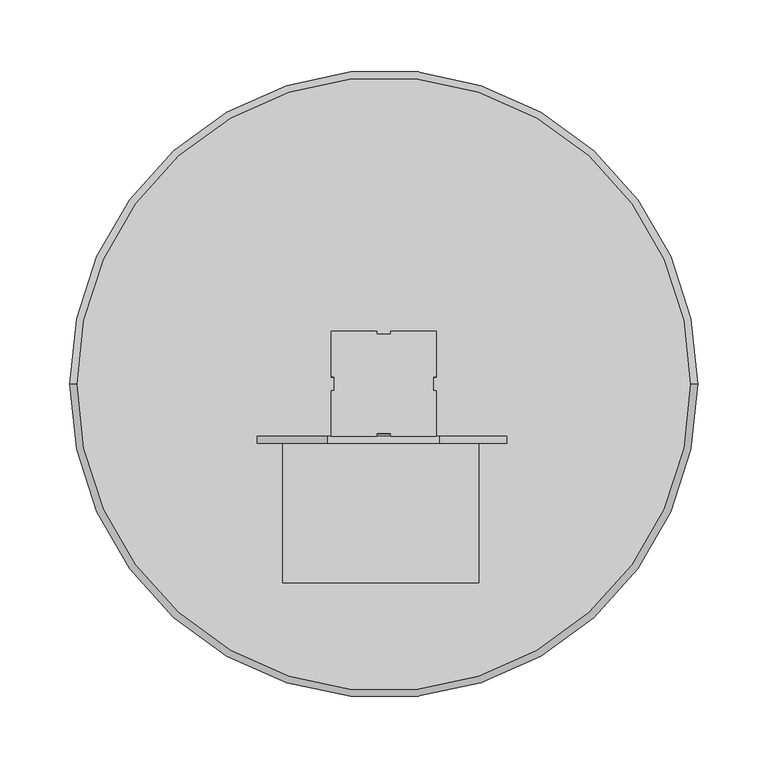
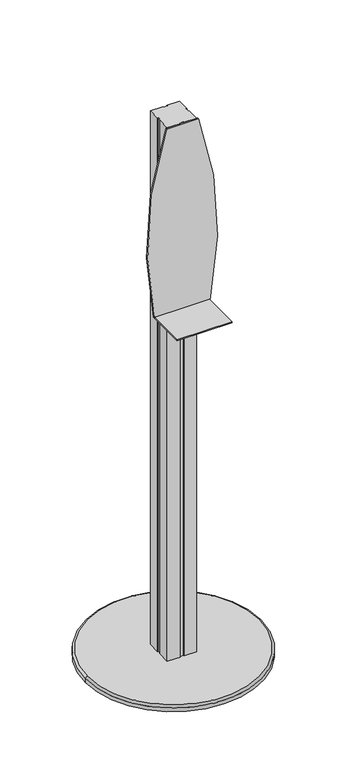
"""IFC4 building model written with IfcOpenShell, lengths in millimetres: proxy geometry."""

from ifc_helpers import new_model, si_unit, point, frame, origin, place, context, project, spatial, circle_curve, ellipse_curve, trimmed, source, transform, mapped, element, save
from ifc_brep_helpers import plane_surface, cylinder_surface, revolved_surface, advanced_brep


def generic_models_ebfa8280(model_context):
    return source(origin(), model_context, "Body", "AdvancedBrep", [
        advanced_brep(
        [(225.5406006, 3.8739064, 0.0), (225.5406006, 3.8739064, 10.0), (-224.4593994, 3.8739064, 10.0), (-224.4593994, 3.8739064, 0.0), (220.5406006, 3.8739064, 15.0), (-219.4593994, 3.8739064, 15.0), (5.5406006, -31.6260936, 15.0), (-4.4593994, -31.6260936, 15.0), (-4.4593994, -33.6260936, 15.0), (-36.9593994, -33.6260936, 15.0), (-36.9593994, -1.1260936, 15.0), (-34.9593994, -1.1260936, 15.0), (-34.9593994, 8.8739064, 15.0), (-36.9593994, 8.8739064, 15.0), (-36.9593994, 41.3739064, 15.0), (-4.4593994, 41.3739064, 15.0), (-4.4593994, 39.3739064, 15.0), (5.5406006, 39.3739064, 15.0), (5.5406006, 41.3739064, 15.0), (38.0406006, 41.3739064, 15.0), (38.0406006, 8.8739064, 15.0), (36.0406006, 8.8739064, 15.0), (36.0406006, -1.1260936, 15.0), (38.0406006, -1.1260936, 15.0), (38.0406006, -33.6260936, 15.0), (5.5406006, -33.6260936, 15.0), (5.5406006, -31.6260936, 1457.96), (-4.4593994, -31.6260936, 1457.96), (-4.4593994, -33.6260936, 1457.96), (-36.9593994, -33.6260936, 1457.96), (-36.9593994, -1.1260936, 1457.96), (-34.9593994, -1.1260936, 1457.96), (-34.9593994, 8.8739064, 1457.96), (-36.9593994, 8.8739064, 1457.96), (-36.9593994, 41.3739064, 1457.96), (-4.4593994, 41.3739064, 1457.96), (-4.4593994, 39.3739064, 1457.96), (5.5406006, 39.3739064, 1457.96), (5.5406006, 41.3739064, 1457.96), (38.0406006, 41.3739064, 1457.96), (38.0406006, 8.8739064, 1457.96), (36.0406006, 8.8739064, 1457.96), (36.0406006, -1.1260936, 1457.96), (38.0406006, -1.1260936, 1457.96), (38.0406006, -33.6260936, 1457.96), (5.5406006, -33.6260936, 1457.96)],
        [
            (0, 1),
            (1, 2, circle_curve(frame((0.5406006, 3.8739064, 10.0), z_axis=(0.0, 0.0, -1.0), x_axis=(1.0, 0.0, 0.0)), 225.0)),
            (2, 3),
            (3, 0, circle_curve(frame((0.5406006, 3.8739064, 0.0), z_axis=(0.0, 0.0, 1.0), x_axis=(1.0, 0.0, 0.0)), 225.0)),
            (1, 4, circle_curve(frame((220.5406006, 3.8739064, 10.0), z_axis=(0.0, -1.0, 0.0), x_axis=(1.0, 0.0, 0.0)), 5.0)),
            (4, 5, circle_curve(frame((0.5406006, 3.8739064, 15.0), z_axis=(0.0, 0.0, -1.0), x_axis=(1.0, 0.0, 0.0)), 220.0)),
            (5, 2, circle_curve(frame((-219.4593994, 3.8739064, 10.0), z_axis=(0.0, -1.0, 0.0), x_axis=(-1.0, 0.0, 0.0)), 5.0)),
            (1, 2, circle_curve(frame((0.5406006, 3.8739064, 10.0), z_axis=(0.0, 0.0, 1.0), x_axis=(1.0, 0.0, 0.0)), 225.0)),
            (5, 4, circle_curve(frame((0.5406006, 3.8739064, 15.0), z_axis=(0.0, 0.0, -1.0), x_axis=(1.0, 0.0, 0.0)), 220.0)),
            (0, 3, circle_curve(frame((0.5406006, 3.8739064, 0.0), z_axis=(0.0, 0.0, 1.0), x_axis=(1.0, 0.0, 0.0)), 225.0)),
            (6, 7),
            (7, 8),
            (8, 9),
            (9, 10),
            (10, 11),
            (11, 12),
            (12, 13),
            (13, 14),
            (14, 15),
            (15, 16),
            (16, 17),
            (17, 18),
            (18, 19),
            (19, 20),
            (20, 21),
            (21, 22),
            (22, 23),
            (23, 24),
            (24, 25),
            (25, 6),
            (6, 26),
            (26, 27),
            (27, 7),
            (27, 28),
            (28, 8),
            (28, 29),
            (29, 9),
            (29, 30),
            (30, 10),
            (30, 31),
            (31, 11),
            (31, 32),
            (32, 12),
            (32, 33),
            (33, 13),
            (33, 34),
            (34, 14),
            (34, 35),
            (35, 15),
            (35, 36),
            (36, 16),
            (36, 37),
            (37, 17),
            (37, 38),
            (38, 18),
            (38, 39),
            (39, 19),
            (39, 40),
            (40, 20),
            (40, 41),
            (41, 21),
            (41, 42),
            (42, 22),
            (42, 43),
            (43, 23),
            (43, 44),
            (44, 24),
            (44, 45),
            (45, 25),
            (45, 26),
        ],
        [
            cylinder_surface(frame((0.5406006, 3.8739064, 0.0), z_axis=(0.0, 0.0, 1.0), x_axis=(1.0, 0.0, 0.0)), 225.0),
            revolved_surface(trimmed(ellipse_curve(frame((220.5406006, 3.8739064, 10.0), z_axis=(0.0, -1.0, 0.0), x_axis=(1.0, 0.0, 0.0)), 5.0, 5.0), [point((225.5406006, 3.8739064, 10.0))], [point((220.5406006, 3.8739064, 15.0))], True, "CARTESIAN"), (0.5406006, 3.8739064, 10.0), (0.0, 0.0, 1.0)),
            plane_surface(frame((0.5406006, 3.8733492, 15.0), z_axis=(0.0, 0.0, 1.0), x_axis=(1.0, 0.0, 0.0))),
            plane_surface(frame((-4.4593994, -31.6260936, 15.0), z_axis=(0.0, -1.0, 0.0), x_axis=(1.0, 0.0, 0.0))),
            plane_surface(frame((-4.4593994, -33.6260936, 15.0), z_axis=(1.0, 0.0, 0.0), x_axis=(0.0, 1.0, 0.0))),
            plane_surface(frame((-36.9593994, -33.6260936, 15.0), z_axis=(0.0, -1.0, 0.0), x_axis=(1.0, 0.0, 0.0))),
            plane_surface(frame((-36.9593994, -1.1260936, 15.0), z_axis=(-1.0, 0.0, 0.0), x_axis=(0.0, -1.0, 0.0))),
            plane_surface(frame((-34.9593994, -1.1260936, 15.0), z_axis=(0.0, 1.0, 0.0), x_axis=(-1.0, 0.0, 0.0))),
            plane_surface(frame((-34.9593994, 8.8739064, 15.0), z_axis=(-1.0, 0.0, 0.0), x_axis=(0.0, -1.0, 0.0))),
            plane_surface(frame((-36.9593994, 8.8739064, 15.0), z_axis=(0.0, -1.0, 0.0), x_axis=(1.0, 0.0, 0.0))),
            plane_surface(frame((-36.9593994, 41.3739064, 15.0), z_axis=(-1.0, 0.0, 0.0), x_axis=(0.0, -1.0, 0.0))),
            plane_surface(frame((-4.4593994, 41.3739064, 15.0), z_axis=(0.0, 1.0, 0.0), x_axis=(-1.0, 0.0, 0.0))),
            plane_surface(frame((-4.4593994, 39.3739064, 15.0), z_axis=(1.0, 0.0, 0.0), x_axis=(0.0, 1.0, 0.0))),
            plane_surface(frame((5.5406006, 39.3739064, 15.0), z_axis=(0.0, 1.0, 0.0), x_axis=(-1.0, 0.0, 0.0))),
            plane_surface(frame((5.5406006, 41.3739064, 15.0), z_axis=(-1.0, 0.0, 0.0), x_axis=(0.0, -1.0, 0.0))),
            plane_surface(frame((38.0406006, 41.3739064, 15.0), z_axis=(0.0, 1.0, 0.0), x_axis=(-1.0, 0.0, 0.0))),
            plane_surface(frame((38.0406006, 8.8739064, 15.0), z_axis=(1.0, 0.0, 0.0), x_axis=(0.0, 1.0, 0.0))),
            plane_surface(frame((36.0406006, 8.8739064, 15.0), z_axis=(0.0, -1.0, 0.0), x_axis=(1.0, 0.0, 0.0))),
            plane_surface(frame((36.0406006, -1.1260936, 15.0), z_axis=(1.0, 0.0, 0.0), x_axis=(0.0, 1.0, 0.0))),
            plane_surface(frame((38.0406006, -1.1260936, 15.0), z_axis=(0.0, 1.0, 0.0), x_axis=(-1.0, 0.0, 0.0))),
            plane_surface(frame((38.0406006, -33.6260936, 15.0), z_axis=(1.0, 0.0, 0.0), x_axis=(0.0, 1.0, 0.0))),
            plane_surface(frame((5.5406006, -33.6260936, 15.0), z_axis=(0.0, -1.0, 0.0), x_axis=(1.0, 0.0, 0.0))),
            plane_surface(frame((5.5406006, -31.6260936, 15.0), z_axis=(-1.0, 0.0, 0.0), x_axis=(0.0, -1.0, 0.0))),
            plane_surface(frame((0.5406006, 3.8739064, 1457.96), z_axis=(0.0, 0.0, 1.0), x_axis=(1.0, 0.0, 0.0))),
            plane_surface(frame((0.5406006, 3.8733492, 0.0), z_axis=(0.0, 0.0, -1.0), x_axis=(1.0, 0.0, 0.0))),
        ],
        [
            (0, [[1, 2, 3, 4]]),
            (1, [[5, 6, 7, -2]]),
            (1, [[-5, 8, -7, 9]]),
            (0, [[-1, 10, -3, -8]]),
            (2, [[-9, -6], [11, 12, 13, 14, 15, 16, 17, 18, 19, 20, 21, 22, 23, 24, 25, 26, 27, 28, 29, 30]]),
            (3, [[-11, 31, 32, 33]]),
            (4, [[-12, -33, 34, 35]]),
            (5, [[-13, -35, 36, 37]]),
            (6, [[-14, -37, 38, 39]]),
            (7, [[-15, -39, 40, 41]]),
            (8, [[-16, -41, 42, 43]]),
            (9, [[-17, -43, 44, 45]]),
            (10, [[-18, -45, 46, 47]]),
            (11, [[-19, -47, 48, 49]]),
            (12, [[-20, -49, 50, 51]]),
            (13, [[-21, -51, 52, 53]]),
            (14, [[-22, -53, 54, 55]]),
            (15, [[-23, -55, 56, 57]]),
            (16, [[-24, -57, 58, 59]]),
            (17, [[-25, -59, 60, 61]]),
            (18, [[-26, -61, 62, 63]]),
            (19, [[-27, -63, 64, 65]]),
            (20, [[-28, -65, 66, 67]]),
            (21, [[-29, -67, 68, 69]]),
            (22, [[-30, -69, 70, -31]]),
            (23, [[-70, -68, -66, -64, -62, -60, -58, -56, -54, -52, -50, -48, -46, -44, -42, -40, -38, -36, -34, -32]]),
            (24, [[-4, -10]]),
        ],
    ),
        advanced_brep(
        [(68.7189055, -38.6261236, 957.7747684), (68.7189055, -38.6261236, 960.0770213), (68.7189055, -138.6261236, 960.0770213), (68.7189055, -138.6261236, 957.7747684), (-71.8909646, -38.6261236, 960.0770213), (-71.8909646, -38.6261236, 957.7747684), (-71.8909646, -138.6261236, 957.7747684), (-71.8909646, -138.6261236, 960.0770213), (69.0734689, -38.6261236, 957.7747684), (40.2776276, -38.6261236, 1457.7747684), (-39.7223724, -38.6261236, 1457.7747684), (40.2776276, -33.6261236, 1457.7747684), (-39.7223724, -33.6261236, 1457.7747684), (69.0734689, -33.6261236, 957.7747684), (-71.8909646, -33.6261236, 957.7747684)],
        [
            (0, 1),
            (1, 2),
            (2, 3),
            (3, 0),
            (4, 5),
            (5, 6),
            (6, 7),
            (7, 4),
            (1, 4),
            (7, 2),
            (6, 3),
            (0, 8),
            (8, 9, circle_curve(frame((-881.4321343, -38.6261236, 1153.8627519), z_axis=(0.0, -1.0, 0.0), x_axis=(0.9793764459001636, 0.0, -0.20204399821812086)), 970.5211997)),
            (9, 10),
            (10, 5, circle_curve(frame((884.782871, -38.6261236, 1147.2598856), z_axis=(0.0, -1.0, 0.0), x_axis=(-0.9479590280017026, 0.0, 0.31839233852287807)), 975.2586516)),
            (11, 12),
            (12, 10),
            (9, 11),
            (13, 11, circle_curve(frame((-881.4321343, -33.6261236, 1153.8627519), z_axis=(0.0, -1.0, 0.0), x_axis=(0.9793764459001636, 0.0, -0.20204399821812086)), 970.5211997)),
            (8, 13),
            (14, 13),
            (5, 14),
            (12, 14, circle_curve(frame((884.782871, -33.6261236, 1147.2598856), z_axis=(0.0, -1.0, 0.0), x_axis=(-0.9479590280017026, 0.0, 0.31839233852287807)), 975.2586516)),
        ],
        [
            plane_surface(frame((68.7189055, -38.6261236, 957.7747684), z_axis=(1.0, 0.0, 0.0), x_axis=(0.0, 0.0, 1.0))),
            plane_surface(frame((-71.8909646, -38.6261236, 960.0770213), z_axis=(-1.0, 0.0, 0.0), x_axis=(0.0, 0.0, -1.0))),
            plane_surface(frame((68.7189055, -38.6261236, 960.0770213), z_axis=(0.0, 0.0, 1.0), x_axis=(-1.0, 0.0, 0.0))),
            plane_surface(frame((-1.5860296, -138.6261236, 958.9258949), z_axis=(0.0, -1.0, 0.0), x_axis=(0.0, 0.0, -1.0))),
            plane_surface(frame((-0.5882178, -38.6261236, 1193.2665681), z_axis=(0.0, -1.0, 0.0), x_axis=(0.0, 0.0, -1.0))),
            plane_surface(frame((40.2776276, -33.6261236, 1457.7747684), z_axis=(0.0, 0.0, 1.0), x_axis=(-1.0, 0.0, 0.0))),
            cylinder_surface(frame((-881.4321343, -33.6261236, 1153.8627519), z_axis=(0.0, -1.0, 0.0), x_axis=(0.9793764459001636, 0.0, -0.20204399821812086)), 970.5211997),
            plane_surface(frame((-71.8909646, -33.6261236, 957.7747684), z_axis=(0.0, 0.0, -1.0), x_axis=(1.0, 0.0, 0.0))),
            cylinder_surface(frame((884.782871, -33.6261236, 1147.2598856), z_axis=(0.0, -1.0, 0.0), x_axis=(-0.9479590280017026, 0.0, 0.31839233852287807)), 975.2586516),
            plane_surface(frame((-0.5882178, -33.6261236, 1193.2665681), z_axis=(0.0, 1.0, 0.0), x_axis=(0.0, 0.0, -1.0))),
        ],
        [
            (0, [[1, 2, 3, 4]]),
            (1, [[5, 6, 7, 8]]),
            (2, [[9, -8, 10, -2]]),
            (3, [[-10, -7, 11, -3]]),
            (4, [[-5, -9, -1, 12, 13, 14, 15]]),
            (5, [[16, 17, -14, 18]]),
            (6, [[19, -18, -13, 20]]),
            (7, [[21, -20, -12, -4, -11, -6, 22]]),
            (8, [[23, -22, -15, -17]]),
            (9, [[-23, -16, -19, -21]]),
        ],
    ),
    ])


if __name__ == "__main__":
    model = new_model("IFC4")
    model_context = context("Model", 3, world=origin())
    ifc_project = project(units=[si_unit("LENGTHUNIT", "METRE", prefix="MILLI")], contexts=[model_context])
    site = spatial("IfcSite", under=ifc_project)
    building = spatial("IfcBuilding", under=site)
    placement = place(None, origin())
    generic_models_shape = generic_models_ebfa8280(model_context)
    element("IfcBuildingElementProxy", 1, Name="Generic Models", at=placement, inside=building, context=model_context, shape_type="MappedRepresentation", body=[
        mapped(generic_models_shape, transform((0.0, 0.0, 0.0), x_axis=(1.0, 0.0, 0.0), y_axis=(0.0, 1.0, 0.0), z_axis=(0.0, 0.0, 1.0))),
    ])
    save(model, "model.ifc")
